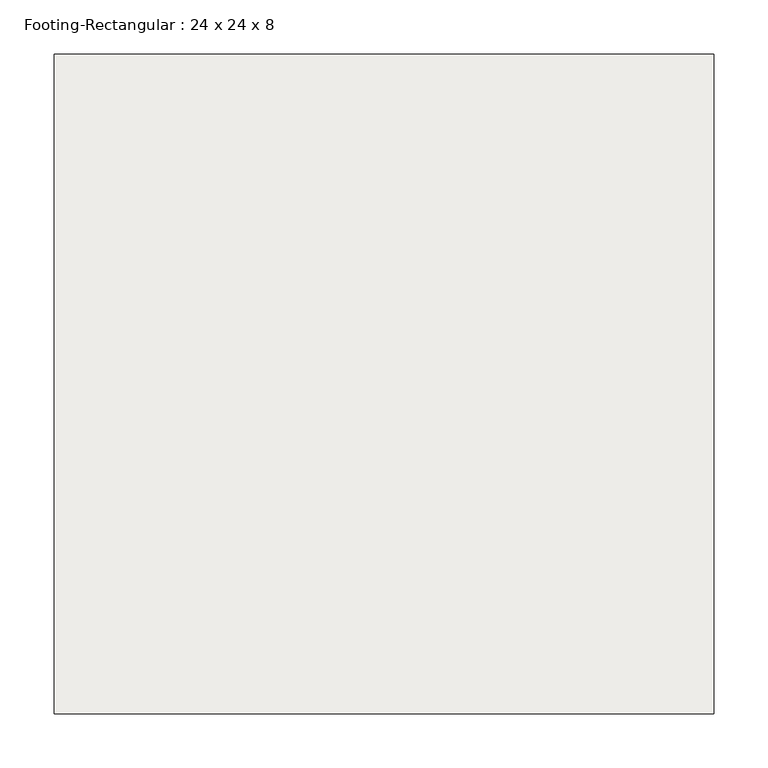
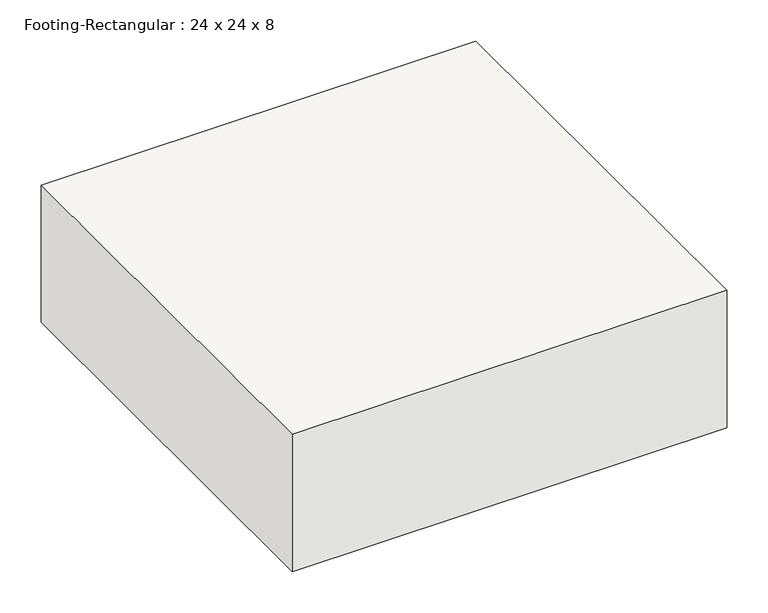
"""IFC4 building model written with IfcOpenShell, lengths in millimetres: slab geometry, Footing-Rectangular : 24 x 24 x 8."""

from ifc_helpers import new_model, si_unit, frame, origin, place, context, project, spatial, polyline, outline, extrude, source, transform, mapped, element, save


def footing_rectangular_24_x_24_x_8_d9a32214(model_context):
    return source(origin(), model_context, "Body", "SweptSolid", [
        extrude(outline(polyline([(304.8, 304.8), (304.8, -304.8), (-304.8, -304.8), (-304.8, 304.8), (304.8, 304.8)])), frame((0.0, 0.0, -203.2), z_axis=(0.0, 0.0, 1.0), x_axis=(1.0, 0.0, 0.0)), (0.0, 0.0, 1.0), 203.2),
    ])


if __name__ == "__main__":
    model = new_model("IFC4")
    model_context = context("Model", 3, world=origin())
    ifc_project = project(units=[si_unit("LENGTHUNIT", "METRE", prefix="MILLI")], contexts=[model_context])
    site = spatial("IfcSite", under=ifc_project)
    building = spatial("IfcBuilding", under=site)
    placement = place(None, origin())
    footing_rectangular_24_x_24_x_8_shape = footing_rectangular_24_x_24_x_8_d9a32214(model_context)
    element("IfcSlab", 1, ObjectType="Footing-Rectangular : 24 x 24 x 8", at=placement, inside=building, context=model_context, shape_type="MappedRepresentation", body=[
        mapped(footing_rectangular_24_x_24_x_8_shape, transform((0.0, 0.0, 0.0), x_axis=(1.0, 0.0, 0.0), y_axis=(0.0, 1.0, 0.0), z_axis=(0.0, 0.0, 1.0))),
    ])
    save(model, "model.ifc")
